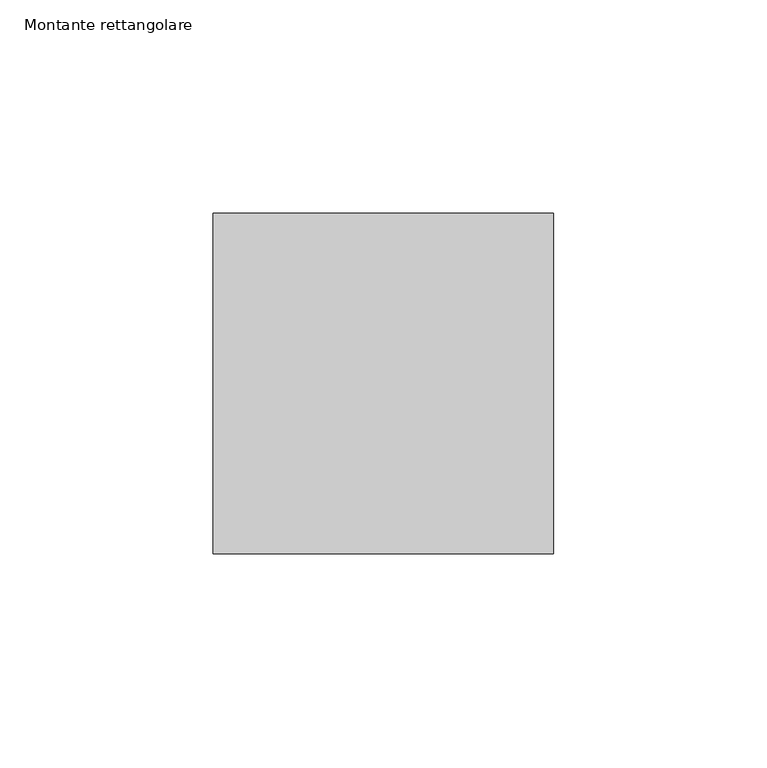
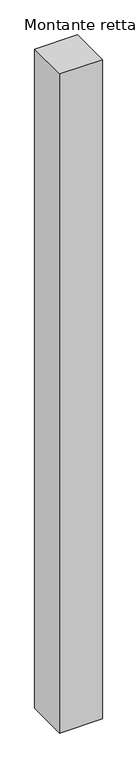
"""IFC4 building model written with IfcOpenShell, lengths in millimetres: member geometry, Montante rettangolare."""

from ifc_helpers import new_model, si_unit, frame, origin, place, context, project, spatial, polyline, outline, extrude, source, transform, mapped, element, save


def montante_rettangolare_ad5b9a89(model_context):
    return source(origin(), model_context, "Body", "SweptSolid", [
        extrude(outline(polyline([(0.0, 40.0), (0.0, -40.0), (-80.0, -40.0), (-80.0, 40.0), (0.0, 40.0)])), frame((0.0, 0.0, -1300.0), z_axis=(0.0, 0.0, 1.0), x_axis=(1.0, 0.0, 0.0)), (0.0, 0.0, 1.0), 1300.0),
    ])


if __name__ == "__main__":
    model = new_model("IFC4")
    model_context = context("Model", 3, world=origin())
    ifc_project = project(units=[si_unit("LENGTHUNIT", "METRE", prefix="MILLI")], contexts=[model_context])
    site = spatial("IfcSite", under=ifc_project)
    building = spatial("IfcBuilding", under=site)
    placement = place(None, origin())
    montante_rettangolare_shape = montante_rettangolare_ad5b9a89(model_context)
    element("IfcMember", 1, ObjectType="Montante rettangolare", at=placement, inside=building, context=model_context, shape_type="MappedRepresentation", body=[
        mapped(montante_rettangolare_shape, transform((0.0, 0.0, 0.0), x_axis=(1.0, 0.0, 0.0), y_axis=(0.0, 1.0, 0.0), z_axis=(0.0, 0.0, 1.0))),
    ])
    save(model, "model.ifc")
